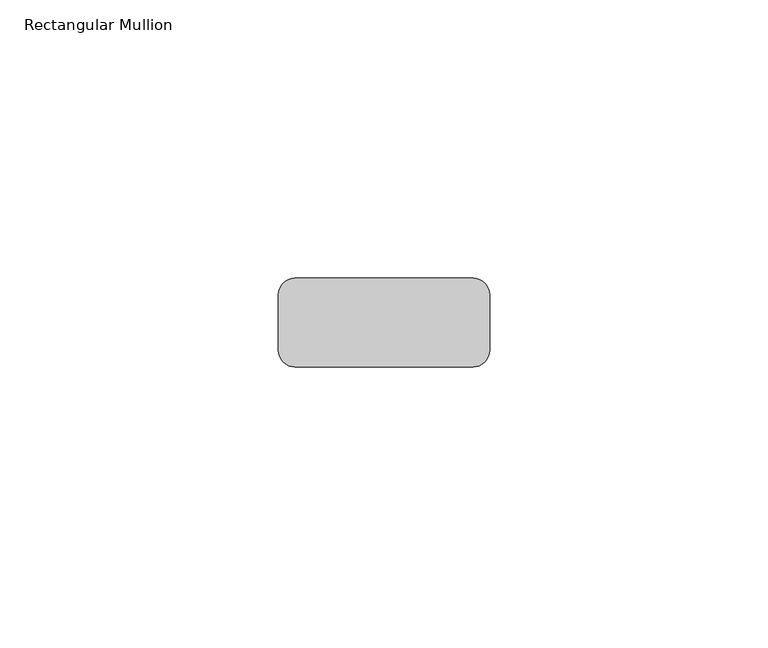
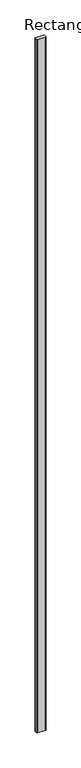
"""IFC4 building model written with IfcOpenShell, lengths in millimetres: member geometry, Rectangular Mullion."""

import ifcopenshell
import ifcopenshell.guid

model = None  # the IFC model being written
_history = None  # IfcOwnerHistory: only IFC2X3 demands one
_inside = {}  # id of a spatial element -> (the spatial element, [elements in it])
_under = {}  # id of a project, library or spatial element -> (it, [spatial elements below it])
_declared = {}  # id of a project -> (the project, [libraries it declares])
_typed = {}  # id of a type object -> (the type object, [elements of that type])
_made_of = {}  # id of a material, layer set ... -> (it, [elements and type objects made of it])


def new_model(schema):
    """Start an empty IFC model of exactly this schema.

    Asked for "IFC4X3", IfcOpenShell would pick the latest addendum, in which some entities
    have other attributes; the version numbers below select the first issue.
    IFC2X3 requires an IfcOwnerHistory on every rooted entity: one is made here for all.
    """
    global model, _history
    if schema == "IFC4X3":
        model = ifcopenshell.file(schema_version=(4, 3, 0, 0))
    else:
        model = ifcopenshell.file(schema=schema)
    _inside.clear()
    _under.clear()
    _declared.clear()
    _typed.clear()
    _made_of.clear()
    _history = None
    if model.schema == "IFC2X3":
        org = make("IfcOrganization", Name="unknown")
        user = make(
            "IfcPersonAndOrganization",
            ThePerson=make("IfcPerson", FamilyName="unknown"),
            TheOrganization=org,
        )
        app = make(
            "IfcApplication",
            ApplicationDeveloper=org,
            Version="unknown",
            ApplicationFullName="unknown",
            ApplicationIdentifier="unknown",
        )
        _history = make(
            "IfcOwnerHistory",
            OwningUser=user,
            OwningApplication=app,
            ChangeAction="ADDED",
            CreationDate=0,
        )
    return model


def make(cls, **values):
    """One entity of the class cls with the attributes given. An attribute that is None is left unset."""
    return model.create_entity(
        cls, **{name: value for name, value in values.items() if value is not None}
    )


def rooted(cls, **values):
    """An entity with a GlobalId (a new one), such as an element, a storey or a relation."""
    return make(cls, GlobalId=ifcopenshell.guid.new(), OwnerHistory=_history, **values)


def si_unit(unit_type, name, prefix=None):
    """IfcSIUnit, for example si_unit("LENGTHUNIT", "METRE", prefix="MILLI")."""
    return make("IfcSIUnit", UnitType=unit_type, Prefix=prefix, Name=name)


def assignment(units):
    """IfcUnitAssignment: the units of a project."""
    return None if units is None else make("IfcUnitAssignment", Units=units)


def point(xyz):
    """IfcCartesianPoint."""
    return None if xyz is None else make("IfcCartesianPoint", Coordinates=xyz)


def direction(xyz):
    """IfcDirection."""
    return None if xyz is None else make("IfcDirection", DirectionRatios=xyz)


def frame(location, z_axis=None, x_axis=None):
    """IfcAxis2Placement3D, a coordinate frame: its origin and axes. An axis left out is left unset."""
    return make(
        "IfcAxis2Placement3D",
        Location=point(location),
        Axis=direction(z_axis),
        RefDirection=direction(x_axis),
    )


def frame_2d(location, x_axis=None):
    """IfcAxis2Placement2D, a coordinate frame in the plane: its origin and x axis."""
    return make(
        "IfcAxis2Placement2D", Location=point(location), RefDirection=direction(x_axis)
    )


def origin():
    """The frame at (0, 0, 0) with its axes left unset."""
    return frame((0.0, 0.0, 0.0))


def place(relative_to, where):
    """IfcLocalPlacement: puts the frame where relative to a parent placement (None: the world)."""
    return make(
        "IfcLocalPlacement", PlacementRelTo=relative_to, RelativePlacement=where
    )


def context(
    kind, dimensions, precision=None, world=None, true_north=None, identifier=None
):
    """IfcGeometricRepresentationContext, for example the 3D "Model" context."""
    return make(
        "IfcGeometricRepresentationContext",
        ContextIdentifier=identifier,
        ContextType=kind,
        CoordinateSpaceDimension=dimensions,
        Precision=precision,
        WorldCoordinateSystem=world,
        TrueNorth=true_north,
    )


def project(units=None, contexts=None):
    """IfcProject with its units and contexts."""
    return rooted(
        "IfcProject",
        Name="project",
        RepresentationContexts=contexts,
        UnitsInContext=assignment(units),
    )


def spatial(cls, under=None, at=None, **own):
    """A site, building, storey or space (cls), placed at a placement, below another one or the project."""
    s = rooted(cls, ObjectPlacement=at, **own)
    if under is not None:
        _under.setdefault(under.id(), (under, []))[1].append(s)
    return s


def polyline(points):
    """IfcPolyline through the points."""
    return make("IfcPolyline", Points=[point(p) for p in points])


def circle_curve(where, radius):
    """IfcCircle in the frame where."""
    return make("IfcCircle", Position=where, Radius=radius)


def trimmed(basis, trim1, trim2, sense, master):
    """IfcTrimmedCurve: the piece of a basis curve between two trims."""
    return make(
        "IfcTrimmedCurve",
        BasisCurve=basis,
        Trim1=trim1,
        Trim2=trim2,
        SenseAgreement=sense,
        MasterRepresentation=master,
    )


def segment(curve, same_sense, transition):
    """IfcCompositeCurveSegment."""
    return make(
        "IfcCompositeCurveSegment",
        Transition=transition,
        SameSense=same_sense,
        ParentCurve=curve,
    )


def composite_curve(segments, self_intersect=None):
    """IfcCompositeCurve: segments joined end to end."""
    return make("IfcCompositeCurve", Segments=segments, SelfIntersect=self_intersect)


def outline(outer, holes=None, kind="AREA"):
    """IfcArbitraryClosedProfileDef: a profile drawn as a closed curve; with holes, ...WithVoids."""
    if holes is None:
        return make("IfcArbitraryClosedProfileDef", ProfileType=kind, OuterCurve=outer)
    return make(
        "IfcArbitraryProfileDefWithVoids",
        ProfileType=kind,
        OuterCurve=outer,
        InnerCurves=holes,
    )


def extrude(swept, where, along, depth):
    """IfcExtrudedAreaSolid: the profile swept, set in the frame where, extruded along a direction by depth."""
    return make(
        "IfcExtrudedAreaSolid",
        SweptArea=swept,
        Position=where,
        ExtrudedDirection=direction(along),
        Depth=depth,
    )


def shape(context_of_items, identifier, shape_type, items):
    """IfcShapeRepresentation: the items that make up one representation, for example the "Body"."""
    return make(
        "IfcShapeRepresentation",
        ContextOfItems=context_of_items,
        RepresentationIdentifier=identifier,
        RepresentationType=shape_type,
        Items=items,
    )


def source(mapping_origin, context_of_items, identifier, shape_type, items):
    """IfcRepresentationMap: a shape defined once, which mapped items show again and again."""
    return make(
        "IfcRepresentationMap",
        MappingOrigin=mapping_origin,
        MappedRepresentation=shape(context_of_items, identifier, shape_type, items),
    )


def transform(
    local_origin,
    x_axis=None,
    y_axis=None,
    z_axis=None,
    scale=None,
    scale2=None,
    scale3=None,
    uniform=True,
):
    """IfcCartesianTransformationOperator3D, or its non-uniform kind. x_axis, y_axis, z_axis: its Axis1, 2, 3."""
    if uniform:
        return make(
            "IfcCartesianTransformationOperator3D",
            Axis1=direction(x_axis),
            Axis2=direction(y_axis),
            LocalOrigin=point(local_origin),
            Scale=scale,
            Axis3=direction(z_axis),
        )
    return make(
        "IfcCartesianTransformationOperator3DnonUniform",
        Axis1=direction(x_axis),
        Axis2=direction(y_axis),
        LocalOrigin=point(local_origin),
        Scale=scale,
        Axis3=direction(z_axis),
        Scale2=scale2,
        Scale3=scale3,
    )


def mapped(mapping_source, mapping_target):
    """IfcMappedItem: shows the shape of a source again, moved by a transform."""
    return make(
        "IfcMappedItem", MappingSource=mapping_source, MappingTarget=mapping_target
    )


def made_of(thing, what):
    """Note that an element or type object is made of a material, layer set ...; save() writes the relation."""
    if what is not None:
        _made_of.setdefault(what.id(), (what, []))[1].append(thing)
    return thing


def element(
    cls,
    number,
    at=None,
    inside=None,
    cuts=None,
    type_object=None,
    material=None,
    context=None,
    identifier="Body",
    shape_type=None,
    held_by="IfcProductDefinitionShape",
    body=None,
    shapes=None,
    **own,
):
    """One element of the class cls, such as IfcWall. Its Tag is "e" and its number.

    at: its placement. inside: the storey or other place that contains it. cuts: it is an
    opening in that element (IfcRelVoidsElement). A single representation is given by context,
    identifier, shape_type and body (its items); several are given by shapes. held_by: the class
    of the entity that holds the representations. save() writes the other relations.
    """
    e = rooted(cls, Tag="e%d" % number, ObjectPlacement=at, **own)
    if body is not None:
        shapes = [shape(context, identifier, shape_type, body)]
    if shapes is not None:
        e.Representation = make(held_by, Representations=shapes)
    if inside is not None:
        _inside.setdefault(inside.id(), (inside, []))[1].append(e)
    if cuts is not None:
        rooted(
            "IfcRelVoidsElement", RelatingBuildingElement=cuts, RelatedOpeningElement=e
        )
    if type_object is not None:
        _typed.setdefault(type_object.id(), (type_object, []))[1].append(e)
    return made_of(e, material)


def aggregate(whole, parts):
    """IfcRelAggregates: a whole, such as a stair, and the parts it consists of."""
    return rooted("IfcRelAggregates", RelatingObject=whole, RelatedObjects=parts)


def save(model, path):
    """Write the relations noted so far, then the file.

    IfcRelAggregates (storeys below a building ...), IfcRelContainedInSpatialStructure (elements
    in a storey), IfcRelDefinesByType, IfcRelAssociatesMaterial and IfcRelDeclares: one each for
    every whole, place, type object, material and project.
    """
    for whole, parts in _under.values():
        aggregate(whole, parts)
    for where, things in _inside.values():
        rooted(
            "IfcRelContainedInSpatialStructure",
            RelatedElements=things,
            RelatingStructure=where,
        )
    for kind, things in _typed.values():
        rooted("IfcRelDefinesByType", RelatedObjects=things, RelatingType=kind)
    for what, things in _made_of.values():
        rooted("IfcRelAssociatesMaterial", RelatedObjects=things, RelatingMaterial=what)
    for by, libraries in _declared.values():
        rooted("IfcRelDeclares", RelatingContext=by, RelatedDefinitions=libraries)
    model.write(path)


def rectangular_mullion_8ab6d997(model_context):
    return source(origin(), model_context, "Body", "SweptSolid", [
        extrude(outline(composite_curve([segment(trimmed(circle_curve(frame_2d((16.0, 13.0)), 3.0), [point((16.0, 16.0))], [point((19.0, 13.0))], False, "CARTESIAN"), True, "CONTINUOUS"), segment(polyline([(19.0, 13.0), (19.0, 3.0)]), True, "CONTINUOUS"), segment(trimmed(circle_curve(frame_2d((16.0, 3.0)), 3.0), [point((19.0, 3.0))], [point((16.0, 0.0))], False, "CARTESIAN"), True, "CONTINUOUS"), segment(polyline([(16.0, 0.0), (-16.0, 0.0)]), True, "CONTINUOUS"), segment(trimmed(circle_curve(frame_2d((-16.0, 3.0)), 3.0), [point((-16.0, 0.0))], [point((-19.0, 3.0))], False, "CARTESIAN"), True, "CONTINUOUS"), segment(polyline([(-19.0, 3.0), (-19.0, 13.0)]), True, "CONTINUOUS"), segment(trimmed(circle_curve(frame_2d((-16.0, 13.0)), 3.0), [point((-19.0, 13.0))], [point((-16.0, 16.0))], False, "CARTESIAN"), True, "CONTINUOUS"), segment(polyline([(-16.0, 16.0), (16.0, 16.0)]), True, "CONTINUOUS")], self_intersect=False)), frame((0.0, 0.0, -3000.0), z_axis=(0.0, 0.0, 1.0), x_axis=(1.0, 0.0, 0.0)), (0.0, 0.0, 1.0), 3000.0),
    ])


if __name__ == "__main__":
    model = new_model("IFC4")
    model_context = context("Model", 3, world=origin())
    ifc_project = project(units=[si_unit("LENGTHUNIT", "METRE", prefix="MILLI")], contexts=[model_context])
    site = spatial("IfcSite", under=ifc_project)
    building = spatial("IfcBuilding", under=site)
    placement = place(None, origin())
    rectangular_mullion_shape = rectangular_mullion_8ab6d997(model_context)
    element("IfcMember", 1, ObjectType="Rectangular Mullion", at=placement, inside=building, context=model_context, shape_type="MappedRepresentation", body=[
        mapped(rectangular_mullion_shape, transform((0.0, 0.0, 0.0), x_axis=(1.0, 0.0, 0.0), y_axis=(0.0, 1.0, 0.0), z_axis=(0.0, 0.0, 1.0))),
    ])
    save(model, "model.ifc")
